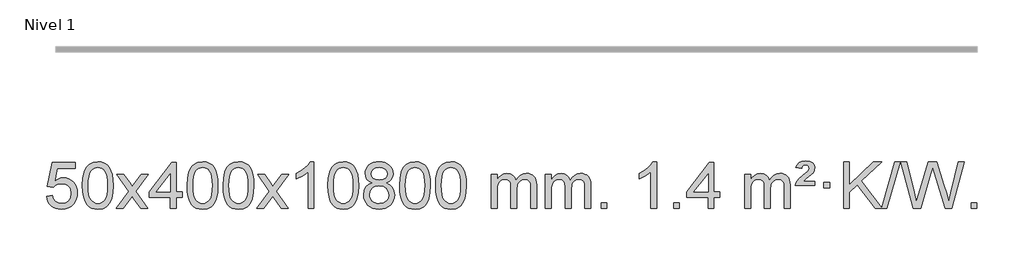
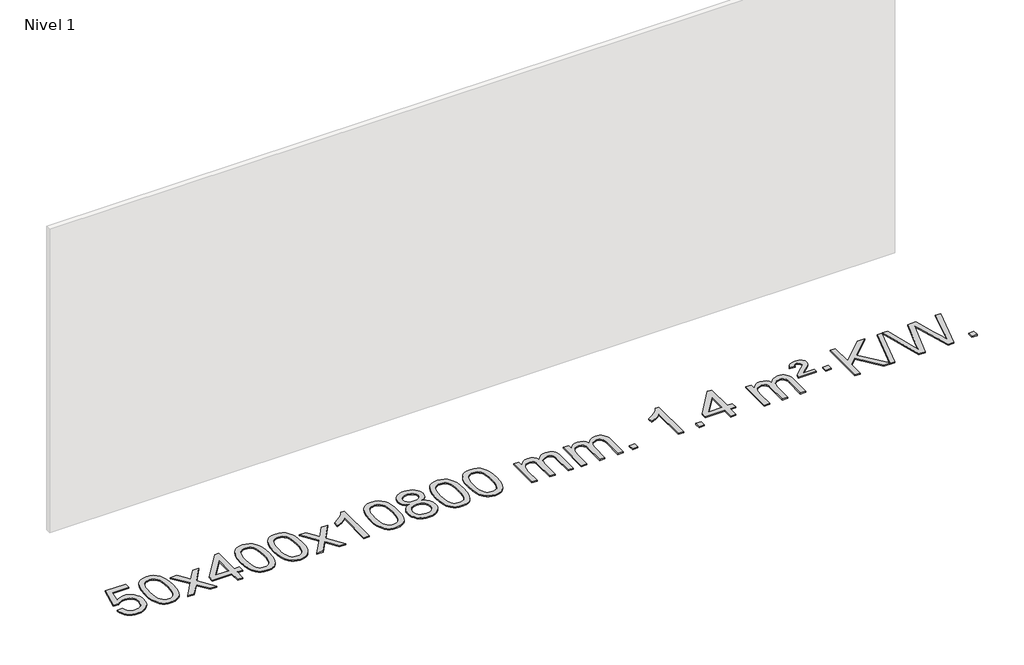
# One storey, part 15 of 16: 1 proxy.
"""IFC4 building model written with IfcOpenShell, lengths in millimetres."""

from ifc_helpers import new_model, si_unit, origin, origin_with_axes, place, context, project, spatial, polyline, outline, extrude, element, save

model = new_model("IFC4")

# Units and contexts
model_context = context("Model", 3, world=origin())
ifc_project = project(units=[si_unit("LENGTHUNIT", "METRE", prefix="MILLI")], contexts=[model_context])

# Site, building, storey
site = spatial("IfcSite", under=ifc_project)
building = spatial("IfcBuilding", under=site)
storey = spatial("IfcBuildingStorey", under=building, Name="Nivel 1", Elevation=0.0)

# Proxy
placement = place(None, origin())
element("IfcBuildingElementProxy", 1, Name="Texto de modelo 1", ObjectType="Texto de modelo 1", at=placement, inside=storey, context=model_context, shape_type="SweptSolid", body=[
    extrude(outline(polyline([(-13109.9934354, 2715.1553765), (-13059.7652803, 2721.4338959), (-13050.543705, 2691.2798351), (-13034.454999, 2669.6851619), (-13011.5727389, 2656.6989275), (-12981.9705011, 2652.3701827), (-12962.8406373, 2653.8754332), (-12945.9671165, 2658.3911847), (-12931.3499385, 2665.9174372), (-12918.9891035, 2676.4541906), (-12909.1605228, 2689.480279), (-12902.1401081, 2704.4745359), (-12896.5237763, 2740.3675559), (-12901.7844888, 2774.1636486), (-12908.3603795, 2788.0818507), (-12917.5666264, 2800.0134901), (-12929.4338865, 2809.5845533), (-12943.9928164, 2816.4210271), (-12981.1856861, 2821.8902061), (-13005.5517369, 2819.7074396), (-13025.2824746, 2813.1591401), (-13041.0400868, 2803.1282243), (-13053.4867609, 2790.4976092), (-13103.714916, 2796.7761285), (-13059.7652803, 3003.9672682), (-12865.1311794, 3003.9672682), (-12865.1311794, 2953.7391131), (-13019.151108, 2953.7391131), (-13040.6354166, 2843.080209), (-13022.9096358, 2855.7844006), (-13004.7546593, 2864.8588231), (-12986.1704872, 2870.3034766), (-12967.1571194, 2872.1183612), (-12942.6960324, 2869.8681496), (-12920.2276395, 2863.117515), (-12899.7519408, 2851.8664573), (-12881.2689362, 2836.1149766), (-12865.9681109, 2816.8256973), (-12855.03895, 2794.961244), (-12848.4814534, 2770.5216168), (-12846.2956212, 2743.5068156), (-12848.2637899, 2717.4852958), (-12854.1682959, 2693.2786606), (-12864.0091393, 2670.8869098), (-12877.78632, 2650.3100435), (-12898.6574919, 2629.2365366), (-12923.01128, 2614.1840316), (-12950.8476843, 2605.1525286), (-12982.1667048, 2602.1420276), (-13008.087057, 2604.0764738), (-13031.4996803, 2609.8798123), (-13052.4045747, 2619.552043), (-13070.8017402, 2633.0931662), (-13086.1086968, 2649.8287312), (-13097.7429649, 2669.084288), (-13105.7045445, 2690.8598364), (-13109.9934354, 2715.1553765)])), origin_with_axes(), (0.0, 0.0, 1.0), 10.0),
    extrude(outline(polyline([(-12802.3459855, 2806.0958057), (-12798.6549029, 2870.4138412), (-12787.5816548, 2921.7088541), (-12769.236606, 2960.7656593), (-12757.378543, 2975.9990395), (-12743.730121, 2988.3690716), (-12728.2453547, 2997.9401349), (-12710.8782588, 3004.7766086), (-12670.4970785, 3010.2457876), (-12639.5459399, 3007.008426), (-12611.832163, 2997.2963414), (-12588.6555973, 2981.4896783), (-12571.3160926, 2959.9685816), (-12558.2194935, 2932.9169922), (-12547.7716449, 2900.5188512), (-12540.9290398, 2859.3773814), (-12538.6481714, 2806.0958057), (-12542.3024659, 2742.1456523), (-12553.2653493, 2690.9732667), (-12571.5000336, 2651.8796734), (-12583.3305054, 2636.6003078), (-12596.9697304, 2624.1658964), (-12612.4728908, 2614.5304538), (-12629.8951689, 2607.6479948), (-12670.4970785, 2602.1420276), (-12698.1618045, 2604.5332606), (-12722.6872709, 2611.7069595), (-12744.0734775, 2623.6631243), (-12762.3204245, 2640.4017551), (-12779.8316074, 2670.6600492), (-12792.3395953, 2708.3618224), (-12799.844388, 2753.5070745), (-12802.3459855, 2806.0958057)]), holes=[polyline([(-12752.1178305, 2806.1939076), (-12750.6463025, 2762.5293805), (-12746.2317185, 2727.1851178), (-12738.8740786, 2700.1611196), (-12728.5733828, 2681.4573858), (-12716.1144459, 2668.7317344), (-12702.2820829, 2659.6419835), (-12687.0762937, 2654.1881329), (-12670.4970785, 2652.3701827), (-12653.9178632, 2654.1942643), (-12638.7120741, 2659.6665089), (-12624.8797111, 2668.7869167), (-12612.4207742, 2681.5554876), (-12602.1200783, 2700.2898783), (-12594.7624384, 2727.3077451), (-12590.3478545, 2762.6090882), (-12588.8763265, 2806.1939076), (-12590.2988035, 2848.7026722), (-12594.5662347, 2883.4246011), (-12601.6786199, 2910.3596945), (-12611.6359592, 2929.5079524), (-12623.8864297, 2942.8559375), (-12637.8782082, 2952.3902125), (-12653.6112949, 2958.1107775), (-12671.0856897, 2960.0176325), (-12687.5790658, 2958.3376381), (-12702.5273375, 2953.2976548), (-12715.9305049, 2944.8976825), (-12727.7885679, 2933.1377214), (-12738.4326203, 2912.291075), (-12746.0355148, 2884.1848906), (-12750.5972516, 2848.8191681), (-12752.1178305, 2806.1939076)])]), origin_with_axes(), (0.0, 0.0, 1.0), 10.0),
    extrude(outline(polyline([(-12513.5340939, 2608.420547), (-12406.2106531, 2756.7505675), (-12507.2555745, 2903.5109581), (-12446.8248254, 2903.5109581), (-12398.0681983, 2832.877615), (-12375.3085655, 2799.5229808), (-12355.5900906, 2826.7952993), (-12300.0644348, 2903.5109581), (-12239.6336857, 2903.5109581), (-12345.7799041, 2756.7505675), (-12243.5577603, 2608.420547), (-12303.9885094, 2608.420547), (-12365.498379, 2697.5951426), (-12376.7800935, 2713.8800523), (-12453.1033448, 2608.420547), (-12513.5340939, 2608.420547)])), origin_with_axes(), (0.0, 0.0, 1.0), 10.0),
    extrude(outline(polyline([(-12048.9236594, 2608.420547), (-12048.9236594, 2702.5983378), (-12231.0007216, 2702.5983378), (-12231.0007216, 2752.8264928), (-12036.3666207, 3003.9672682), (-11998.6955043, 3003.9672682), (-11998.6955043, 2752.8264928), (-11948.4673493, 2752.8264928), (-11948.4673493, 2702.5983378), (-11998.6955043, 2702.5983378), (-11998.6955043, 2608.420547), (-12048.9236594, 2608.420547)]), holes=[polyline([(-12048.9236594, 2752.8264928), (-12048.9236594, 2908.0236439), (-12169.1965464, 2752.8264928), (-12048.9236594, 2752.8264928)])]), origin_with_axes(), (0.0, 0.0, 1.0), 10.0),
    extrude(outline(polyline([(-11904.5177136, 2806.0958057), (-11900.8266309, 2870.4138412), (-11889.7533828, 2921.7088541), (-11871.408334, 2960.7656593), (-11859.550271, 2975.9990395), (-11845.901849, 2988.3690716), (-11830.4170827, 2997.9401349), (-11813.0499869, 3004.7766086), (-11772.6688065, 3010.2457876), (-11741.717668, 3007.008426), (-11714.003891, 2997.2963414), (-11690.8273253, 2981.4896783), (-11673.4878206, 2959.9685816), (-11660.3912216, 2932.9169922), (-11649.9433729, 2900.5188512), (-11643.1007678, 2859.3773814), (-11640.8198994, 2806.0958057), (-11644.4741939, 2742.1456523), (-11655.4370774, 2690.9732667), (-11673.6717616, 2651.8796734), (-11685.5022334, 2636.6003078), (-11699.1414584, 2624.1658964), (-11714.6446188, 2614.5304538), (-11732.066897, 2607.6479948), (-11772.6688065, 2602.1420276), (-11800.3335326, 2604.5332606), (-11824.8589989, 2611.7069595), (-11846.2452055, 2623.6631243), (-11864.4921525, 2640.4017551), (-11882.0033355, 2670.6600492), (-11894.5113233, 2708.3618224), (-11902.016116, 2753.5070745), (-11904.5177136, 2806.0958057)]), holes=[polyline([(-11854.2895585, 2806.1939076), (-11852.8180305, 2762.5293805), (-11848.4034466, 2727.1851178), (-11841.0458067, 2700.1611196), (-11830.7451108, 2681.4573858), (-11818.2861739, 2668.7317344), (-11804.4538109, 2659.6419835), (-11789.2480218, 2654.1881329), (-11772.6688065, 2652.3701827), (-11756.0895913, 2654.1942643), (-11740.8838021, 2659.6665089), (-11727.0514391, 2668.7869167), (-11714.5925022, 2681.5554876), (-11704.2918063, 2700.2898783), (-11696.9341664, 2727.3077451), (-11692.5195825, 2762.6090882), (-11691.0480545, 2806.1939076), (-11692.4705316, 2848.7026722), (-11696.7379627, 2883.4246011), (-11703.8503479, 2910.3596945), (-11713.8076873, 2929.5079524), (-11726.0581577, 2942.8559375), (-11740.0499363, 2952.3902125), (-11755.7830229, 2958.1107775), (-11773.2574177, 2960.0176325), (-11789.7507938, 2958.3376381), (-11804.6990656, 2953.2976548), (-11818.1022329, 2944.8976825), (-11829.9602959, 2933.1377214), (-11840.6043483, 2912.291075), (-11848.2072429, 2884.1848906), (-11852.7689796, 2848.8191681), (-11854.2895585, 2806.1939076)])]), origin_with_axes(), (0.0, 0.0, 1.0), 10.0),
    extrude(outline(polyline([(-11596.8702638, 2806.0958057), (-11593.1791811, 2870.4138412), (-11582.105933, 2921.7088541), (-11563.7608842, 2960.7656593), (-11551.9028212, 2975.9990395), (-11538.2543992, 2988.3690716), (-11522.7696329, 2997.9401349), (-11505.402537, 3004.7766086), (-11465.0213567, 3010.2457876), (-11434.0702182, 3007.008426), (-11406.3564412, 2997.2963414), (-11383.1798755, 2981.4896783), (-11365.8403708, 2959.9685816), (-11352.7437718, 2932.9169922), (-11342.2959231, 2900.5188512), (-11335.453318, 2859.3773814), (-11333.1724496, 2806.0958057), (-11336.8267441, 2742.1456523), (-11347.7896275, 2690.9732667), (-11366.0243118, 2651.8796734), (-11377.8547836, 2636.6003078), (-11391.4940086, 2624.1658964), (-11406.997169, 2614.5304538), (-11424.4194471, 2607.6479948), (-11465.0213567, 2602.1420276), (-11492.6860827, 2604.5332606), (-11517.2115491, 2611.7069595), (-11538.5977557, 2623.6631243), (-11556.8447027, 2640.4017551), (-11574.3558856, 2670.6600492), (-11586.8638735, 2708.3618224), (-11594.3686662, 2753.5070745), (-11596.8702638, 2806.0958057)]), holes=[polyline([(-11546.6421087, 2806.1939076), (-11545.1705807, 2762.5293805), (-11540.7559968, 2727.1851178), (-11533.3983568, 2700.1611196), (-11523.097661, 2681.4573858), (-11510.6387241, 2668.7317344), (-11496.8063611, 2659.6419835), (-11481.6005719, 2654.1881329), (-11465.0213567, 2652.3701827), (-11448.4421414, 2654.1942643), (-11433.2363523, 2659.6665089), (-11419.4039893, 2668.7869167), (-11406.9450524, 2681.5554876), (-11396.6443565, 2700.2898783), (-11389.2867166, 2727.3077451), (-11384.8721327, 2762.6090882), (-11383.4006047, 2806.1939076), (-11384.8230817, 2848.7026722), (-11389.0905129, 2883.4246011), (-11396.2028981, 2910.3596945), (-11406.1602375, 2929.5079524), (-11418.4107079, 2942.8559375), (-11432.4024864, 2952.3902125), (-11448.1355731, 2958.1107775), (-11465.6099679, 2960.0176325), (-11482.103344, 2958.3376381), (-11497.0516157, 2953.2976548), (-11510.4547831, 2944.8976825), (-11522.3128461, 2933.1377214), (-11532.9568985, 2912.291075), (-11540.559793, 2884.1848906), (-11545.1215298, 2848.8191681), (-11546.6421087, 2806.1939076)])]), origin_with_axes(), (0.0, 0.0, 1.0), 10.0),
    extrude(outline(polyline([(-11308.0583721, 2608.420547), (-11200.7349313, 2756.7505675), (-11301.7798527, 2903.5109581), (-11241.3491036, 2903.5109581), (-11192.5924765, 2832.877615), (-11169.8328437, 2799.5229808), (-11150.1143688, 2826.7952993), (-11094.588713, 2903.5109581), (-11034.1579639, 2903.5109581), (-11140.3041823, 2756.7505675), (-11038.0820385, 2608.420547), (-11098.5127876, 2608.420547), (-11160.0226572, 2697.5951426), (-11171.3043717, 2713.8800523), (-11247.627623, 2608.420547), (-11308.0583721, 2608.420547)])), origin_with_axes(), (0.0, 0.0, 1.0), 10.0),
    extrude(outline(polyline([(-10818.3338601, 2608.420547), (-10868.5620152, 2608.420547), (-10868.5620152, 2921.5617013), (-10889.5312889, 2904.6023413), (-10916.1414199, 2887.6675068), (-10969.0183253, 2862.3081746), (-10969.0183253, 2909.7894775), (-10929.5691127, 2931.2492605), (-10895.3928753, 2956.780271), (-10868.4516506, 2983.9299622), (-10850.7074757, 3010.2457876), (-10818.3338601, 3010.2457876), (-10818.3338601, 2608.420547)])), origin_with_axes(), (0.0, 0.0, 1.0), 10.0),
    extrude(outline(polyline([(-10699.0419918, 2806.0958057), (-10695.3509091, 2870.4138412), (-10684.277661, 2921.7088541), (-10665.9326122, 2960.7656593), (-10654.0745492, 2975.9990395), (-10640.4261272, 2988.3690716), (-10624.9413609, 2997.9401349), (-10607.5742651, 3004.7766086), (-10567.1930847, 3010.2457876), (-10536.2419462, 3007.008426), (-10508.5281692, 2997.2963414), (-10485.3516035, 2981.4896783), (-10468.0120988, 2959.9685816), (-10454.9154998, 2932.9169922), (-10444.4676511, 2900.5188512), (-10437.625046, 2859.3773814), (-10435.3441776, 2806.0958057), (-10438.9984721, 2742.1456523), (-10449.9613556, 2690.9732667), (-10468.1960398, 2651.8796734), (-10480.0265116, 2636.6003078), (-10493.6657366, 2624.1658964), (-10509.168897, 2614.5304538), (-10526.5911752, 2607.6479948), (-10567.1930847, 2602.1420276), (-10594.8578108, 2604.5332606), (-10619.3832771, 2611.7069595), (-10640.7694838, 2623.6631243), (-10659.0164307, 2640.4017551), (-10676.5276137, 2670.6600492), (-10689.0356015, 2708.3618224), (-10696.5403942, 2753.5070745), (-10699.0419918, 2806.0958057)]), holes=[polyline([(-10648.8138367, 2806.1939076), (-10647.3423087, 2762.5293805), (-10642.9277248, 2727.1851178), (-10635.5700849, 2700.1611196), (-10625.269389, 2681.4573858), (-10612.8104521, 2668.7317344), (-10598.9780891, 2659.6419835), (-10583.7723, 2654.1881329), (-10567.1930847, 2652.3701827), (-10550.6138695, 2654.1942643), (-10535.4080803, 2659.6665089), (-10521.5757173, 2668.7869167), (-10509.1167804, 2681.5554876), (-10498.8160845, 2700.2898783), (-10491.4584446, 2727.3077451), (-10487.0438607, 2762.6090882), (-10485.5723327, 2806.1939076), (-10486.9948098, 2848.7026722), (-10491.2622409, 2883.4246011), (-10498.3746262, 2910.3596945), (-10508.3319655, 2929.5079524), (-10520.5824359, 2942.8559375), (-10534.5742145, 2952.3902125), (-10550.3073011, 2958.1107775), (-10567.7816959, 2960.0176325), (-10584.275072, 2958.3376381), (-10599.2233438, 2953.2976548), (-10612.6265111, 2944.8976825), (-10624.4845741, 2933.1377214), (-10635.1286265, 2912.291075), (-10642.7315211, 2884.1848906), (-10647.2932578, 2848.8191681), (-10648.8138367, 2806.1939076)])]), origin_with_axes(), (0.0, 0.0, 1.0), 10.0),
    extrude(outline(polyline([(-10318.2105504, 2829.7383553), (-10345.1027242, 2842.9821071), (-10363.9750706, 2860.9347485), (-10375.121895, 2883.2283974), (-10378.8375032, 2909.4951719), (-10376.8141522, 2929.9800676), (-10370.7440993, 2948.7604435), (-10360.6273444, 2965.8362994), (-10346.4638876, 2981.2076355), (-10328.9343105, 2993.911827), (-10308.7191949, 3002.9862496), (-10285.8185407, 3008.4309031), (-10260.2323479, 3010.2457876), (-10234.5235278, 3008.3879835), (-10211.4511954, 3002.8145713), (-10191.0153505, 2993.5255509), (-10173.2159933, 2980.5209224), (-10158.7950191, 2964.8491494), (-10148.4943233, 2947.5586956), (-10142.3139058, 2928.6495611), (-10140.2537666, 2908.1217457), (-10143.9203238, 2882.7010999), (-10154.9199955, 2860.7875957), (-10173.3754089, 2842.9453189), (-10199.4091914, 2829.7383553), (-10168.4948411, 2813.8090649), (-10145.9927257, 2790.3504564), (-10132.2707273, 2760.4907011), (-10127.6967278, 2725.3579705), (-10129.9653334, 2700.3052067), (-10136.7711504, 2677.3371074), (-10148.1141785, 2656.4536728), (-10163.994418, 2637.6549029), (-10183.5780029, 2622.11802), (-10206.0310673, 2611.0202464), (-10231.3536113, 2604.3615823), (-10259.5456349, 2602.1420276), (-10287.7376584, 2604.3707794), (-10313.0602024, 2611.0570346), (-10335.5132669, 2622.2007934), (-10355.0968518, 2637.8020557), (-10370.9770912, 2656.73265), (-10382.3201194, 2677.864405), (-10389.1259363, 2701.1973205), (-10391.394542, 2726.7313967), (-10386.6366015, 2763.2252906), (-10372.3627801, 2793.2444614), (-10349.3088417, 2815.7588395), (-10318.2105504, 2829.7383553)]), holes=[polyline([(-10328.6093481, 2908.0236439), (-10324.157976, 2886.097877), (-10310.8038595, 2868.586694), (-10288.9394063, 2857.1087757), (-10258.9570237, 2853.282803), (-10229.6736169, 2857.0842503), (-10208.1402574, 2868.4885921), (-10194.8965056, 2885.4111639), (-10190.4819217, 2905.767301), (-10195.0436584, 2926.8959902), (-10208.7288686, 2944.370385), (-10230.5565337, 2956.1058206), (-10259.5456349, 2960.0176325), (-10288.7186771, 2956.1916598), (-10310.5095539, 2944.7137415), (-10324.0843996, 2927.8892716), (-10328.6093481, 2908.0236439)]), polyline([(-10341.1663869, 2728.4972302), (-10339.0694595, 2709.2815274), (-10332.7786774, 2690.6789611), (-10321.1658691, 2674.4553651), (-10303.1028631, 2662.376573), (-10281.4714018, 2654.8717803), (-10259.1532274, 2652.3701827), (-10224.9647273, 2657.6308952), (-10211.0710507, 2664.2067859), (-10199.3110895, 2673.4130328), (-10183.2714346, 2697.3130998), (-10177.9248829, 2726.9276004), (-10183.4431128, 2757.0448731), (-10199.9978026, 2781.4722375), (-10212.0765948, 2790.9145421), (-10226.2400516, 2797.6590453), (-10260.8209591, 2803.0546479), (-10294.5312126, 2797.7326217), (-10308.2685395, 2791.080089), (-10319.927333, 2781.7665431), (-10335.8566234, 2757.8051625), (-10341.1663869, 2728.4972302)])]), origin_with_axes(), (0.0, 0.0, 1.0), 10.0),
    extrude(outline(polyline([(-10083.7470921, 2806.0958057), (-10080.0560094, 2870.4138412), (-10068.9827614, 2921.7088541), (-10050.6377126, 2960.7656593), (-10038.7796496, 2975.9990395), (-10025.1312276, 2988.3690716), (-10009.6464612, 2997.9401349), (-9992.2793654, 3004.7766086), (-9951.8981851, 3010.2457876), (-9920.9470465, 3007.008426), (-9893.2332696, 2997.2963414), (-9870.0567039, 2981.4896783), (-9852.7171992, 2959.9685816), (-9839.6206001, 2932.9169922), (-9829.1727515, 2900.5188512), (-9822.3301463, 2859.3773814), (-9820.049278, 2806.0958057), (-9823.7035725, 2742.1456523), (-9834.6664559, 2690.9732667), (-9852.9011401, 2651.8796734), (-9864.731612, 2636.6003078), (-9878.3708369, 2624.1658964), (-9893.8739974, 2614.5304538), (-9911.2962755, 2607.6479948), (-9951.8981851, 2602.1420276), (-9979.5629111, 2604.5332606), (-10004.0883774, 2611.7069595), (-10025.4745841, 2623.6631243), (-10043.721531, 2640.4017551), (-10061.232714, 2670.6600492), (-10073.7407019, 2708.3618224), (-10081.2454946, 2753.5070745), (-10083.7470921, 2806.0958057)]), holes=[polyline([(-10033.518937, 2806.1939076), (-10032.0474091, 2762.5293805), (-10027.6328251, 2727.1851178), (-10020.2751852, 2700.1611196), (-10009.9744894, 2681.4573858), (-9997.5155525, 2668.7317344), (-9983.6831894, 2659.6419835), (-9968.4774003, 2654.1881329), (-9951.8981851, 2652.3701827), (-9935.3189698, 2654.1942643), (-9920.1131807, 2659.6665089), (-9906.2808176, 2668.7869167), (-9893.8218807, 2681.5554876), (-9883.5211849, 2700.2898783), (-9876.163545, 2727.3077451), (-9871.748961, 2762.6090882), (-9870.2774331, 2806.1939076), (-9871.6999101, 2848.7026722), (-9875.9673412, 2883.4246011), (-9883.0797265, 2910.3596945), (-9893.0370658, 2929.5079524), (-9905.2875363, 2942.8559375), (-9919.2793148, 2952.3902125), (-9935.0124015, 2958.1107775), (-9952.4867962, 2960.0176325), (-9968.9801724, 2958.3376381), (-9983.9284441, 2953.2976548), (-9997.3316115, 2944.8976825), (-10009.1896744, 2933.1377214), (-10019.8337268, 2912.291075), (-10027.4366214, 2884.1848906), (-10031.9983581, 2848.8191681), (-10033.518937, 2806.1939076)])]), origin_with_axes(), (0.0, 0.0, 1.0), 10.0),
    extrude(outline(polyline([(-9776.0996423, 2806.0958057), (-9772.4085596, 2870.4138412), (-9761.3353115, 2921.7088541), (-9742.9902627, 2960.7656593), (-9731.1321997, 2975.9990395), (-9717.4837777, 2988.3690716), (-9701.9990114, 2997.9401349), (-9684.6319156, 3004.7766086), (-9644.2507352, 3010.2457876), (-9613.2995967, 3007.008426), (-9585.5858197, 2997.2963414), (-9562.409254, 2981.4896783), (-9545.0697493, 2959.9685816), (-9531.9731503, 2932.9169922), (-9521.5253016, 2900.5188512), (-9514.6826965, 2859.3773814), (-9512.4018281, 2806.0958057), (-9516.0561226, 2742.1456523), (-9527.0190061, 2690.9732667), (-9545.2536903, 2651.8796734), (-9557.0841621, 2636.6003078), (-9570.7233871, 2624.1658964), (-9586.2265475, 2614.5304538), (-9603.6488257, 2607.6479948), (-9644.2507352, 2602.1420276), (-9671.9154613, 2604.5332606), (-9696.4409276, 2611.7069595), (-9717.8271343, 2623.6631243), (-9736.0740812, 2640.4017551), (-9753.5852642, 2670.6600492), (-9766.093252, 2708.3618224), (-9773.5980447, 2753.5070745), (-9776.0996423, 2806.0958057)]), holes=[polyline([(-9725.8714872, 2806.1939076), (-9724.3999592, 2762.5293805), (-9719.9853753, 2727.1851178), (-9712.6277354, 2700.1611196), (-9702.3270395, 2681.4573858), (-9689.8681026, 2668.7317344), (-9676.0357396, 2659.6419835), (-9660.8299505, 2654.1881329), (-9644.2507352, 2652.3701827), (-9627.67152, 2654.1942643), (-9612.4657308, 2659.6665089), (-9598.6333678, 2668.7869167), (-9586.1744309, 2681.5554876), (-9575.873735, 2700.2898783), (-9568.5160951, 2727.3077451), (-9564.1015112, 2762.6090882), (-9562.6299832, 2806.1939076), (-9564.0524603, 2848.7026722), (-9568.3198914, 2883.4246011), (-9575.4322767, 2910.3596945), (-9585.389616, 2929.5079524), (-9597.6400864, 2942.8559375), (-9611.631865, 2952.3902125), (-9627.3649516, 2958.1107775), (-9644.8393464, 2960.0176325), (-9661.3327225, 2958.3376381), (-9676.2809943, 2953.2976548), (-9689.6841616, 2944.8976825), (-9701.5422246, 2933.1377214), (-9712.186277, 2912.291075), (-9719.7891716, 2884.1848906), (-9724.3509083, 2848.8191681), (-9725.8714872, 2806.1939076)])]), origin_with_axes(), (0.0, 0.0, 1.0), 10.0),
    extrude(outline(polyline([(-9298.9321691, 2608.420547), (-9298.9321691, 2903.5109581), (-9248.704014, 2903.5109581), (-9248.704014, 2854.9505347), (-9233.5963267, 2877.2564463), (-9214.1721574, 2894.7308411), (-9191.0936936, 2906.0248184), (-9165.0231228, 2909.7894775), (-9137.0886167, 2905.951242), (-9114.6968659, 2894.4365355), (-9097.9704978, 2876.0056476), (-9087.0321399, 2851.4188676), (-9068.7238792, 2876.9560094), (-9047.8404446, 2895.196825), (-9024.3818361, 2906.1413143), (-8998.3480536, 2909.7894775), (-8978.2402368, 2908.2719642), (-8960.5910981, 2903.7194245), (-8945.4006374, 2896.1318584), (-8932.6688547, 2885.5092658), (-8922.6042164, 2871.7290194), (-8915.4151891, 2854.6684918), (-8911.1017727, 2834.3276832), (-8909.6639672, 2810.7065934), (-8909.6639672, 2608.420547), (-8959.8921223, 2608.420547), (-8959.8921223, 2789.124183), (-8961.057082, 2814.1769469), (-8964.5519609, 2831.0627305), (-8971.1002604, 2842.6264879), (-8981.4254818, 2851.7131732), (-8994.7060218, 2857.5992851), (-9010.1202774, 2859.5613224), (-9037.3312823, 2854.5336018), (-9059.5145666, 2839.45044), (-9068.1199396, 2827.8805512), (-9074.2666346, 2813.2817674), (-9079.1839906, 2774.9975144), (-9079.1839906, 2608.420547), (-9129.4121457, 2608.420547), (-9129.4121457, 2794.7159894), (-9132.3184135, 2823.1164794), (-9141.0372167, 2843.3745146), (-9156.3778959, 2855.5146204), (-9179.1497914, 2859.5613224), (-9198.5003844, 2856.8635211), (-9216.3303984, 2848.7701172), (-9231.0456782, 2835.4773144), (-9241.0520685, 2817.1813165), (-9246.7910276, 2791.7974589), (-9248.704014, 2757.2410768), (-9248.704014, 2608.420547), (-9298.9321691, 2608.420547)])), origin_with_axes(), (0.0, 0.0, 1.0), 10.0),
    extrude(outline(polyline([(-8834.3217346, 2608.420547), (-8834.3217346, 2903.5109581), (-8784.0935796, 2903.5109581), (-8784.0935796, 2854.9505347), (-8768.9858923, 2877.2564463), (-8749.5617229, 2894.7308411), (-8726.4832591, 2906.0248184), (-8700.4126884, 2909.7894775), (-8672.4781822, 2905.951242), (-8650.0864315, 2894.4365355), (-8633.3600634, 2876.0056476), (-8622.4217054, 2851.4188676), (-8604.1134448, 2876.9560094), (-8583.2300102, 2895.196825), (-8559.7714016, 2906.1413143), (-8533.7376191, 2909.7894775), (-8513.6298024, 2908.2719642), (-8495.9806637, 2903.7194245), (-8480.790203, 2896.1318584), (-8468.0584202, 2885.5092658), (-8457.993782, 2871.7290194), (-8450.8047547, 2854.6684918), (-8446.4913383, 2834.3276832), (-8445.0535328, 2810.7065934), (-8445.0535328, 2608.420547), (-8495.2816879, 2608.420547), (-8495.2816879, 2789.124183), (-8496.4466475, 2814.1769469), (-8499.9415265, 2831.0627305), (-8506.489826, 2842.6264879), (-8516.8150473, 2851.7131732), (-8530.0955874, 2857.5992851), (-8545.509843, 2859.5613224), (-8572.7208479, 2854.5336018), (-8594.9041322, 2839.45044), (-8603.5095052, 2827.8805512), (-8609.6562002, 2813.2817674), (-8614.5735562, 2774.9975144), (-8614.5735562, 2608.420547), (-8664.8017113, 2608.420547), (-8664.8017113, 2794.7159894), (-8667.707979, 2823.1164794), (-8676.4267823, 2843.3745146), (-8691.7674615, 2855.5146204), (-8714.539357, 2859.5613224), (-8733.88995, 2856.8635211), (-8751.719964, 2848.7701172), (-8766.4352438, 2835.4773144), (-8776.4416341, 2817.1813165), (-8782.1805932, 2791.7974589), (-8784.0935796, 2757.2410768), (-8784.0935796, 2608.420547), (-8834.3217346, 2608.420547)])), origin_with_axes(), (0.0, 0.0, 1.0), 10.0),
    extrude(outline(polyline([(-8357.1542614, 2608.420547), (-8357.1542614, 2658.6487021), (-8306.9261064, 2658.6487021), (-8306.9261064, 2608.420547), (-8357.1542614, 2608.420547)])), origin_with_axes(), (0.0, 0.0, 1.0), 10.0),
    extrude(outline(polyline([(-7879.9867882, 2608.420547), (-7930.2149433, 2608.420547), (-7930.2149433, 2921.5617013), (-7951.184217, 2904.6023413), (-7977.794348, 2887.6675068), (-8030.6712534, 2862.3081746), (-8030.6712534, 2909.7894775), (-7991.2220408, 2931.2492605), (-7957.0458035, 2956.780271), (-7930.1045787, 2983.9299622), (-7912.3604038, 3010.2457876), (-7879.9867882, 3010.2457876), (-7879.9867882, 2608.420547)])), origin_with_axes(), (0.0, 0.0, 1.0), 10.0),
    extrude(outline(polyline([(-7735.5808424, 2608.420547), (-7735.5808424, 2658.6487021), (-7685.3526873, 2658.6487021), (-7685.3526873, 2608.420547), (-7735.5808424, 2608.420547)])), origin_with_axes(), (0.0, 0.0, 1.0), 10.0),
    extrude(outline(polyline([(-7440.4904313, 2608.420547), (-7440.4904313, 2702.5983378), (-7622.5674935, 2702.5983378), (-7622.5674935, 2752.8264928), (-7427.9333925, 3003.9672682), (-7390.2622762, 3003.9672682), (-7390.2622762, 2752.8264928), (-7340.0341212, 2752.8264928), (-7340.0341212, 2702.5983378), (-7390.2622762, 2702.5983378), (-7390.2622762, 2608.420547), (-7440.4904313, 2608.420547)]), holes=[polyline([(-7440.4904313, 2752.8264928), (-7440.4904313, 2908.0236439), (-7560.7633183, 2752.8264928), (-7440.4904313, 2752.8264928)])]), origin_with_axes(), (0.0, 0.0, 1.0), 10.0),
    extrude(outline(polyline([(-7126.5644621, 2608.420547), (-7126.5644621, 2903.5109581), (-7076.336307, 2903.5109581), (-7076.336307, 2854.9505347), (-7061.2286197, 2877.2564463), (-7041.8044504, 2894.7308411), (-7018.7259866, 2906.0248184), (-6992.6554158, 2909.7894775), (-6964.7209097, 2905.951242), (-6942.3291589, 2894.4365355), (-6925.6027909, 2876.0056476), (-6914.6644329, 2851.4188676), (-6896.3561722, 2876.9560094), (-6875.4727377, 2895.196825), (-6852.0141291, 2906.1413143), (-6825.9803466, 2909.7894775), (-6805.8725298, 2908.2719642), (-6788.2233911, 2903.7194245), (-6773.0329304, 2896.1318584), (-6760.3011477, 2885.5092658), (-6750.2365094, 2871.7290194), (-6743.0474821, 2854.6684918), (-6738.7340657, 2834.3276832), (-6737.2962603, 2810.7065934), (-6737.2962603, 2608.420547), (-6787.5244153, 2608.420547), (-6787.5244153, 2789.124183), (-6788.689375, 2814.1769469), (-6792.1842539, 2831.0627305), (-6798.7325535, 2842.6264879), (-6809.0577748, 2851.7131732), (-6822.3383148, 2857.5992851), (-6837.7525704, 2859.5613224), (-6864.9635753, 2854.5336018), (-6887.1468596, 2839.45044), (-6895.7522326, 2827.8805512), (-6901.8989276, 2813.2817674), (-6906.8162836, 2774.9975144), (-6906.8162836, 2608.420547), (-6957.0444387, 2608.420547), (-6957.0444387, 2794.7159894), (-6959.9507065, 2823.1164794), (-6968.6695098, 2843.3745146), (-6984.010189, 2855.5146204), (-7006.7820845, 2859.5613224), (-7026.1326774, 2856.8635211), (-7043.9626914, 2848.7701172), (-7058.6779713, 2835.4773144), (-7068.6843615, 2817.1813165), (-7074.4233206, 2791.7974589), (-7076.336307, 2757.2410768), (-7076.336307, 2608.420547), (-7126.5644621, 2608.420547)])), origin_with_axes(), (0.0, 0.0, 1.0), 10.0),
    extrude(outline(polyline([(-6693.3466246, 2809.3331673), (-6689.5206518, 2825.1520931), (-6681.1819933, 2841.0200698), (-6659.6731593, 2866.1586728), (-6627.7164766, 2893.8969753), (-6583.5706372, 2931.273786), (-6576.4337265, 2942.8007552), (-6574.0547563, 2954.6220299), (-6575.9432172, 2966.7130848), (-6581.6085999, 2976.4987459), (-6590.977328, 2982.973469), (-6603.9758252, 2985.1317101), (-6616.4102366, 2983.5130293), (-6625.26393, 2978.656987), (-6631.6896022, 2969.1901569), (-6636.8399501, 2953.7391131), (-6687.0681052, 2960.0176325), (-6676.2278491, 2985.2298119), (-6659.5995829, 3002.7900458), (-6635.834406, 3013.0907417), (-6603.5834178, 3016.524307), (-6567.8007624, 3012.3917659), (-6543.0545668, 2999.9941427), (-6528.6335926, 2981.6613566), (-6523.8266012, 2959.7233269), (-6527.9223541, 2936.8165414), (-6540.2096127, 2915.1850801), (-6560.737428, 2895.3685032), (-6597.2067965, 2867.3113697), (-6622.8113834, 2840.7257642), (-6523.8266012, 2840.7257642), (-6523.8266012, 2809.3331673), (-6693.3466246, 2809.3331673)])), origin_with_axes(), (0.0, 0.0, 1.0), 10.0),
    extrude(outline(polyline([(-6448.4843686, 2784.2190898), (-6448.4843686, 2834.4472448), (-6398.2562135, 2834.4472448), (-6398.2562135, 2784.2190898), (-6448.4843686, 2784.2190898)])), origin_with_axes(), (0.0, 0.0, 1.0), 10.0),
    extrude(outline(polyline([(-6007.6145856, 2608.420547), (-6161.045903, 2811.0990009), (-6228.7361901, 2746.5479735), (-6228.7361901, 2608.420547), (-6278.9643452, 2608.420547), (-6278.9643452, 3010.2457876), (-6228.7361901, 3010.2457876), (-6228.7361901, 2813.5515475), (-6022.7222728, 3010.2457876), (-5952.4813372, 3010.2457876), (-6125.4349259, 2845.0422463), (-5950.781316, 2614.4650668), (-5839.4679883, 3010.2457876), (-5794.1449265, 3010.2457876), (-5907.1582754, 2608.420547), (-5946.2028178, 2608.420547), (-5952.4813372, 2608.420547), (-6007.6145856, 2608.420547)])), origin_with_axes(), (0.0, 0.0, 1.0), 10.0),
    extrude(outline(polyline([(-5679.6600496, 2608.420547), (-5789.2398332, 3010.2457876), (-5737.4420483, 3010.2457876), (-5673.8720395, 2746.155566), (-5654.2516665, 2664.6329159), (-5633.2578673, 2736.7377869), (-5553.5991526, 3010.2457876), (-5478.943633, 3010.2457876), (-5421.0635325, 2811.9819177), (-5396.268286, 2738.4055186), (-5377.9968136, 2664.6329159), (-5358.9650517, 2743.8011212), (-5294.8064317, 3010.2457876), (-5243.0086468, 3010.2457876), (-5352.6865323, 2608.420547), (-5406.3482526, 2608.420547), (-5502.6842845, 2918.4224416), (-5516.12424, 2961.6853642), (-5531.2319273, 2909.5932737), (-5619.0330968, 2608.420547), (-5679.6600496, 2608.420547)])), origin_with_axes(), (0.0, 0.0, 1.0), 10.0),
    extrude(outline(polyline([(-5186.5019723, 2608.420547), (-5186.5019723, 2658.6487021), (-5136.2738173, 2658.6487021), (-5136.2738173, 2608.420547), (-5186.5019723, 2608.420547)])), origin_with_axes(), (0.0, 0.0, 1.0), 10.0),
])

save(model, "model.ifc")
